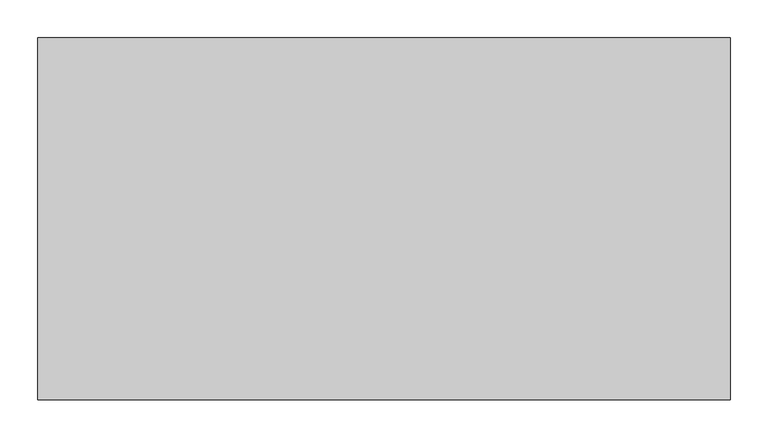
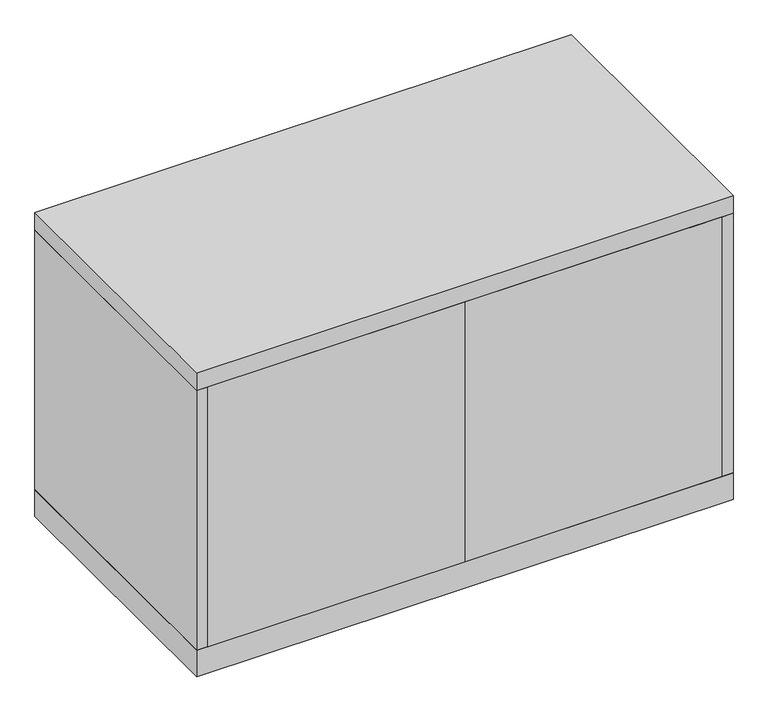
"""IFC4 building model written with IfcOpenShell, lengths in millimetres: furniture geometry."""

from ifc_helpers import new_model, si_unit, frame, origin, origin_with_axes, place, context, project, spatial, polyline, outline, extrude, source, transform, mapped, element, save


def furniture_20ffbadb(model_context):
    return source(origin(), model_context, "Body", "SweptSolid", [
        extrude(outline(polyline([(-436.5625, -476.25), (-436.5625, -457.2), (0.0, -457.2), (0.0, -476.25), (-436.5625, -476.25)])), frame((0.0, 0.0, 47.625), z_axis=(0.0, 0.0, 1.0), x_axis=(1.0, 0.0, 0.0)), (0.0, 0.0, 1.0), 466.725),
        extrude(outline(polyline([(436.5625, -476.25), (0.0, -476.25), (0.0, -457.2), (436.5625, -457.2), (436.5625, -476.25)])), frame((0.0, 0.0, 47.625), z_axis=(0.0, 0.0, 1.0), x_axis=(1.0, 0.0, 0.0)), (0.0, 0.0, 1.0), 466.725),
        extrude(outline(polyline([(436.5625, -19.05), (436.5625, -457.2), (-436.5625, -457.2), (-436.5625, -19.05), (436.5625, -19.05)])), frame((0.0, 0.0, 271.4625), z_axis=(0.0, 0.0, 1.0), x_axis=(1.0, 0.0, 0.0)), (0.0, 0.0, 1.0), 19.05),
        extrude(outline(polyline([(455.6125, 0.0), (455.6125, -476.25), (-455.6125, -476.25), (-455.6125, 0.0), (455.6125, 0.0)])), origin_with_axes(), (0.0, 0.0, 1.0), 47.625),
        extrude(outline(polyline([(455.6125, 0.0), (455.6125, -476.25), (-455.6125, -476.25), (-455.6125, 0.0), (455.6125, 0.0)])), frame((0.0, 0.0, 514.35), z_axis=(0.0, 0.0, 1.0), x_axis=(1.0, 0.0, 0.0)), (0.0, 0.0, 1.0), 31.75),
        extrude(outline(polyline([(455.6125, 0.0), (455.6125, -476.25), (436.5625, -476.25), (436.5625, -19.05), (-436.5625, -19.05), (-436.5625, -476.25), (-455.6125, -476.25), (-455.6125, 0.0), (455.6125, 0.0)])), frame((0.0, 0.0, 47.625), z_axis=(0.0, 0.0, 1.0), x_axis=(1.0, 0.0, 0.0)), (0.0, 0.0, 1.0), 466.725),
    ])


if __name__ == "__main__":
    model = new_model("IFC4")
    model_context = context("Model", 3, world=origin())
    ifc_project = project(units=[si_unit("LENGTHUNIT", "METRE", prefix="MILLI")], contexts=[model_context])
    site = spatial("IfcSite", under=ifc_project)
    building = spatial("IfcBuilding", under=site)
    placement = place(None, origin())
    furniture_shape = furniture_20ffbadb(model_context)
    element("IfcFurniture", 1, at=placement, inside=building, context=model_context, shape_type="MappedRepresentation", body=[
        mapped(furniture_shape, transform((0.0, 0.0, 0.0), x_axis=(1.0, 0.0, 0.0), y_axis=(0.0, 1.0, 0.0), z_axis=(0.0, 0.0, 1.0))),
    ])
    save(model, "model.ifc")
